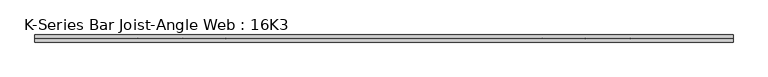
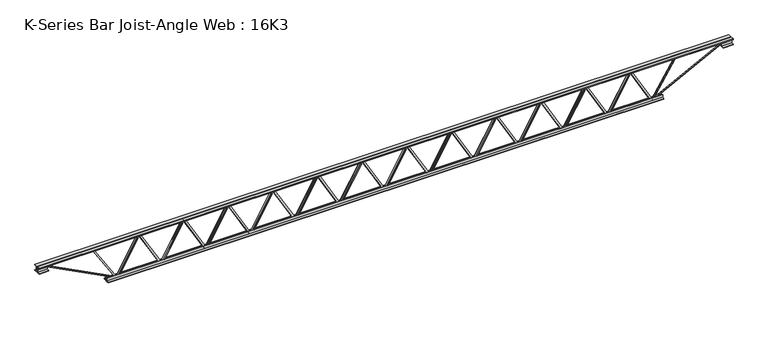
"""IFC4 building model written with IfcOpenShell, lengths in millimetres: beam geometry, K-Series Bar Joist-Angle Web : 16K3."""

from ifc_helpers import new_model, si_unit, frame, origin, place, context, project, spatial, polyline, outline, extrude, faceted_brep, source, transform, mapped, element, save


def k_series_bar_joist_angle_web_16k3_cd1c399f(model_context):
    return source(origin(), model_context, "Body", "SolidModel", [
        extrude(outline(polyline([(-4.7625, 4.7625), (-4.7625, 0.0), (-17.4625, 0.0), (-17.4625, 4.7625), (-4.7625, 4.7625)])), frame((2266.7702714, 0.0, -165.1), z_axis=(-0.49506641513290334, 0.0, 0.8688551344196891), x_axis=(0.0, -1.0, 0.0)), (0.0, 0.0, 1.0), 380.0403392),
        extrude(outline(polyline([(-200.025, 2298.5556818), (-180.975, 2298.5556818), (-180.975, 2297.7411183), (200.025, 2080.6504933), (200.025, 2062.4150568), (180.975, 2062.4150568), (180.975, 2069.5796204), (-200.025, 2286.6702454), (-200.025, 2298.5556818)])), frame((0.0, 0.0, 0.0), z_axis=(0.0, 1.0, 0.0), x_axis=(0.0, 0.0, 1.0)), (0.0, 0.0, 1.0), 4.7625),
        faceted_brep([(1838.9744318, 0.0, -180.975), (1838.9744318, 0.0, -200.025), (1838.9744318, -4.7625, -200.025), (1838.9744318, -4.7625, -180.975), (1839.7889954, 0.0, -180.975), (2056.8796204, 0.0, 200.025), (2075.1150568, 0.0, 200.025), (2075.1150568, 0.0, 180.975), (2067.9504933, 0.0, 180.975), (1850.8598683, 0.0, -200.025), (1850.8598683, -4.7625, -200.025), (1870.7598422, -4.7625, -165.1), (1866.6219197, -4.7625, -162.7422462), (2054.767128, -4.7625, 167.4577538), (2058.9050506, -4.7625, 165.1), (2067.9504933, -4.7625, 180.975), (2075.1150568, -4.7625, 180.975), (2075.1150568, -4.7625, 200.025), (2056.8796204, -4.7625, 200.025), (1839.7889954, -4.7625, -180.975), (2058.9050506, -17.4625, 165.1), (1870.7598422, -17.4625, -165.1), (1866.6219197, -17.4625, -162.7422462), (2054.767128, -17.4625, 167.4577538)], [[[0, 1, 2, 3]], [[1, 0, 4, 5, 6, 7, 8, 9]], [[2, 1, 9, 10]], [[3, 2, 10, 11, 12, 13, 14, 15, 16, 17, 18, 19]], [[0, 3, 19, 4]], [[9, 8, 15, 14, 20, 21, 11, 10]], [[5, 4, 19, 18]], [[7, 6, 17, 16]], [[8, 7, 16, 15]], [[6, 5, 18, 17]], [[21, 22, 12, 11]], [[20, 14, 13, 23]], [[22, 21, 20, 23]], [[12, 22, 23, 13]]]),
        extrude(outline(polyline([(-4.7625, 4.7625), (-4.7625, 0.0), (-17.4625, 0.0), (-17.4625, 4.7625), (-4.7625, 4.7625)])), frame((1807.0447032, 0.0, -165.1), z_axis=(-0.49506641513290334, 0.0, 0.8688551344196891), x_axis=(0.0, -1.0, 0.0)), (0.0, 0.0, 1.0), 380.0403392),
        extrude(outline(polyline([(-200.025, 1838.8301136), (-180.975, 1838.8301136), (-180.975, 1838.0155501), (200.025, 1620.9249251), (200.025, 1602.6894886), (180.975, 1602.6894886), (180.975, 1609.8540522), (-200.025, 1826.9446772), (-200.025, 1838.8301136)])), frame((0.0, 0.0, 0.0), z_axis=(0.0, 1.0, 0.0), x_axis=(0.0, 0.0, 1.0)), (0.0, 0.0, 1.0), 4.7625),
        faceted_brep([(1379.2488636, 0.0, -180.975), (1379.2488636, 0.0, -200.025), (1379.2488636, -4.7625, -200.025), (1379.2488636, -4.7625, -180.975), (1380.0634272, 0.0, -180.975), (1597.1540522, 0.0, 200.025), (1615.3894886, 0.0, 200.025), (1615.3894886, 0.0, 180.975), (1608.2249251, 0.0, 180.975), (1391.1343001, 0.0, -200.025), (1391.1343001, -4.7625, -200.025), (1411.0342741, -4.7625, -165.1), (1406.8963515, -4.7625, -162.7422462), (1595.0415598, -4.7625, 167.4577538), (1599.1794824, -4.7625, 165.1), (1608.2249251, -4.7625, 180.975), (1615.3894886, -4.7625, 180.975), (1615.3894886, -4.7625, 200.025), (1597.1540522, -4.7625, 200.025), (1380.0634272, -4.7625, -180.975), (1599.1794824, -17.4625, 165.1), (1411.0342741, -17.4625, -165.1), (1406.8963515, -17.4625, -162.7422462), (1595.0415598, -17.4625, 167.4577538)], [[[0, 1, 2, 3]], [[1, 0, 4, 5, 6, 7, 8, 9]], [[2, 1, 9, 10]], [[3, 2, 10, 11, 12, 13, 14, 15, 16, 17, 18, 19]], [[0, 3, 19, 4]], [[9, 8, 15, 14, 20, 21, 11, 10]], [[5, 4, 19, 18]], [[7, 6, 17, 16]], [[8, 7, 16, 15]], [[6, 5, 18, 17]], [[21, 22, 12, 11]], [[20, 14, 13, 23]], [[22, 21, 20, 23]], [[12, 22, 23, 13]]]),
        extrude(outline(polyline([(-4.7625, 4.7625), (-4.7625, 0.0), (-17.4625, 0.0), (-17.4625, 4.7625), (-4.7625, 4.7625)])), frame((1347.319135, 0.0, -165.1), z_axis=(-0.49506641513290334, 0.0, 0.8688551344196891), x_axis=(0.0, -1.0, 0.0)), (0.0, 0.0, 1.0), 380.0403392),
        extrude(outline(polyline([(-200.025, 1379.1045455), (-180.975, 1379.1045455), (-180.975, 1378.2899819), (200.025, 1161.1993569), (200.025, 1142.9639205), (180.975, 1142.9639205), (180.975, 1150.128484), (-200.025, 1367.219109), (-200.025, 1379.1045455)])), frame((0.0, 0.0, 0.0), z_axis=(0.0, 1.0, 0.0), x_axis=(0.0, 0.0, 1.0)), (0.0, 0.0, 1.0), 4.7625),
        faceted_brep([(919.5232955, 0.0, -180.975), (919.5232955, 0.0, -200.025), (919.5232955, -4.7625, -200.025), (919.5232955, -4.7625, -180.975), (920.337859, 0.0, -180.975), (1137.428484, 0.0, 200.025), (1155.6639205, 0.0, 200.025), (1155.6639205, 0.0, 180.975), (1148.4993569, 0.0, 180.975), (931.4087319, 0.0, -200.025), (931.4087319, -4.7625, -200.025), (951.3087059, -4.7625, -165.1), (947.1707833, -4.7625, -162.7422462), (1135.3159916, -4.7625, 167.4577538), (1139.4539142, -4.7625, 165.1), (1148.4993569, -4.7625, 180.975), (1155.6639205, -4.7625, 180.975), (1155.6639205, -4.7625, 200.025), (1137.428484, -4.7625, 200.025), (920.337859, -4.7625, -180.975), (1139.4539142, -17.4625, 165.1), (951.3087059, -17.4625, -165.1), (947.1707833, -17.4625, -162.7422462), (1135.3159916, -17.4625, 167.4577538)], [[[0, 1, 2, 3]], [[1, 0, 4, 5, 6, 7, 8, 9]], [[2, 1, 9, 10]], [[3, 2, 10, 11, 12, 13, 14, 15, 16, 17, 18, 19]], [[0, 3, 19, 4]], [[9, 8, 15, 14, 20, 21, 11, 10]], [[5, 4, 19, 18]], [[7, 6, 17, 16]], [[8, 7, 16, 15]], [[6, 5, 18, 17]], [[21, 22, 12, 11]], [[20, 14, 13, 23]], [[22, 21, 20, 23]], [[12, 22, 23, 13]]]),
        extrude(outline(polyline([(-4.7625, 4.7625), (-4.7625, 0.0), (-17.4625, 0.0), (-17.4625, 4.7625), (-4.7625, 4.7625)])), frame((887.5935668, 0.0, -165.1), z_axis=(-0.49506641513290334, 0.0, 0.8688551344196891), x_axis=(0.0, -1.0, 0.0)), (0.0, 0.0, 1.0), 380.0403392),
        extrude(outline(polyline([(-200.025, 919.3789773), (-180.975, 919.3789773), (-180.975, 918.5644137), (200.025, 701.4737887), (200.025, 683.2383523), (180.975, 683.2383523), (180.975, 690.4029158), (-200.025, 907.4935408), (-200.025, 919.3789773)])), frame((0.0, 0.0, 0.0), z_axis=(0.0, 1.0, 0.0), x_axis=(0.0, 0.0, 1.0)), (0.0, 0.0, 1.0), 4.7625),
        faceted_brep([(459.7977273, 0.0, -180.975), (459.7977273, 0.0, -200.025), (459.7977273, -4.7625, -200.025), (459.7977273, -4.7625, -180.975), (460.6122908, 0.0, -180.975), (677.7029158, 0.0, 200.025), (695.9383523, 0.0, 200.025), (695.9383523, 0.0, 180.975), (688.7737887, 0.0, 180.975), (471.6831637, 0.0, -200.025), (471.6831637, -4.7625, -200.025), (491.5831377, -4.7625, -165.1), (487.4452151, -4.7625, -162.7422462), (675.5904235, -4.7625, 167.4577538), (679.728346, -4.7625, 165.1), (688.7737887, -4.7625, 180.975), (695.9383523, -4.7625, 180.975), (695.9383523, -4.7625, 200.025), (677.7029158, -4.7625, 200.025), (460.6122908, -4.7625, -180.975), (679.728346, -17.4625, 165.1), (491.5831377, -17.4625, -165.1), (487.4452151, -17.4625, -162.7422462), (675.5904235, -17.4625, 167.4577538)], [[[0, 1, 2, 3]], [[1, 0, 4, 5, 6, 7, 8, 9]], [[2, 1, 9, 10]], [[3, 2, 10, 11, 12, 13, 14, 15, 16, 17, 18, 19]], [[0, 3, 19, 4]], [[9, 8, 15, 14, 20, 21, 11, 10]], [[5, 4, 19, 18]], [[7, 6, 17, 16]], [[8, 7, 16, 15]], [[6, 5, 18, 17]], [[21, 22, 12, 11]], [[20, 14, 13, 23]], [[22, 21, 20, 23]], [[12, 22, 23, 13]]]),
        extrude(outline(polyline([(-4.7625, 4.7624999), (-4.7625, 0.0), (-17.4625, 0.0), (-17.4625, 4.7624999), (-4.7625, 4.7624999)])), frame((427.8679987, 0.0, -165.1), z_axis=(-0.49506641513290334, 0.0, 0.8688551344196891), x_axis=(0.0, -1.0, 0.0)), (0.0, 0.0, 1.0), 380.0403392),
        extrude(outline(polyline([(-200.025, 459.6534091), (-180.975, 459.6534091), (-180.975, 458.8388456), (200.025, 241.7482206), (200.025, 223.5127841), (180.975, 223.5127841), (180.975, 230.6773476), (-200.025, 447.7679726), (-200.025, 459.6534091)])), frame((0.0, 0.0, 0.0), z_axis=(0.0, 1.0, 0.0), x_axis=(0.0, 0.0, 1.0)), (0.0, 0.0, 1.0), 4.7625),
        faceted_brep([(0.0721591, 0.0, -180.975), (0.0721591, 0.0, -200.025), (0.0721591, -4.7625, -200.025), (0.0721591, -4.7625, -180.975), (0.8867226, 0.0, -180.975), (217.9773476, 0.0, 200.025), (236.2127841, 0.0, 200.025), (236.2127841, 0.0, 180.975), (229.0482206, 0.0, 180.975), (11.9575956, 0.0, -200.025), (11.9575956, -4.7625, -200.025), (31.8575695, -4.7625, -165.1), (27.7196469, -4.7625, -162.7422462), (215.8648553, -4.7625, 167.4577538), (220.0027778, -4.7625, 165.1), (229.0482206, -4.7625, 180.975), (236.2127841, -4.7625, 180.975), (236.2127841, -4.7625, 200.025), (217.9773476, -4.7625, 200.025), (0.8867226, -4.7625, -180.975), (220.0027778, -17.4625, 165.1), (31.8575695, -17.4625, -165.1), (27.7196469, -17.4625, -162.7422462), (215.8648553, -17.4625, 167.4577538)], [[[0, 1, 2, 3]], [[1, 0, 4, 5, 6, 7, 8, 9]], [[2, 1, 9, 10]], [[3, 2, 10, 11, 12, 13, 14, 15, 16, 17, 18, 19]], [[0, 3, 19, 4]], [[9, 8, 15, 14, 20, 21, 11, 10]], [[5, 4, 19, 18]], [[7, 6, 17, 16]], [[8, 7, 16, 15]], [[6, 5, 18, 17]], [[21, 22, 12, 11]], [[20, 14, 13, 23]], [[22, 21, 20, 23]], [[12, 22, 23, 13]]]),
        extrude(outline(polyline([(-4.7625, 4.7625), (-4.7625, 0.0), (-17.4625, 0.0), (-17.4625, 4.7625), (-4.7625, 4.7625)])), frame((-31.8575695, 0.0, -165.1), z_axis=(-0.49506641513290334, 0.0, 0.8688551344196891), x_axis=(0.0, -1.0, 0.0)), (0.0, 0.0, 1.0), 380.0403392),
        extrude(outline(polyline([(-200.025, -0.0721591), (-180.975, -0.0721591), (-180.975, -0.8867226), (200.025, -217.9773476), (200.025, -236.2127841), (180.975, -236.2127841), (180.975, -229.0482206), (-200.025, -11.9575956), (-200.025, -0.0721591)])), frame((0.0, 0.0, 0.0), z_axis=(0.0, 1.0, 0.0), x_axis=(0.0, 0.0, 1.0)), (0.0, 0.0, 1.0), 4.7625),
        faceted_brep([(-459.6534091, 0.0, -180.975), (-459.6534091, 0.0, -200.025), (-459.6534091, -4.7625, -200.025), (-459.6534091, -4.7625, -180.975), (-458.8388456, 0.0, -180.975), (-241.7482206, 0.0, 200.025), (-223.5127841, 0.0, 200.025), (-223.5127841, 0.0, 180.975), (-230.6773476, 0.0, 180.975), (-447.7679726, 0.0, -200.025), (-447.7679726, -4.7625, -200.025), (-427.8679987, -4.7625, -165.1), (-432.0059212, -4.7625, -162.7422462), (-243.8607129, -4.7625, 167.4577538), (-239.7227903, -4.7625, 165.1), (-230.6773476, -4.7625, 180.975), (-223.5127841, -4.7625, 180.975), (-223.5127841, -4.7625, 200.025), (-241.7482206, -4.7625, 200.025), (-458.8388456, -4.7625, -180.975), (-239.7227903, -17.4625, 165.1), (-427.8679987, -17.4625, -165.1), (-432.0059212, -17.4625, -162.7422462), (-243.8607129, -17.4625, 167.4577538)], [[[0, 1, 2, 3]], [[1, 0, 4, 5, 6, 7, 8, 9]], [[2, 1, 9, 10]], [[3, 2, 10, 11, 12, 13, 14, 15, 16, 17, 18, 19]], [[0, 3, 19, 4]], [[9, 8, 15, 14, 20, 21, 11, 10]], [[5, 4, 19, 18]], [[7, 6, 17, 16]], [[8, 7, 16, 15]], [[6, 5, 18, 17]], [[21, 22, 12, 11]], [[20, 14, 13, 23]], [[22, 21, 20, 23]], [[12, 22, 23, 13]]]),
        extrude(outline(polyline([(-4.7625, 4.7625), (-4.7625, 0.0), (-17.4625, 0.0), (-17.4625, 4.7625), (-4.7625, 4.7625)])), frame((-491.5831377, 0.0, -165.1), z_axis=(-0.49506641513290334, 0.0, 0.8688551344196891), x_axis=(0.0, -1.0, 0.0)), (0.0, 0.0, 1.0), 380.0403392),
        extrude(outline(polyline([(-200.025, -459.7977273), (-180.975, -459.7977273), (-180.975, -460.6122908), (200.025, -677.7029158), (200.025, -695.9383523), (180.975, -695.9383523), (180.975, -688.7737887), (-200.025, -471.6831637), (-200.025, -459.7977273)])), frame((0.0, 0.0, 0.0), z_axis=(0.0, 1.0, 0.0), x_axis=(0.0, 0.0, 1.0)), (0.0, 0.0, 1.0), 4.7625),
        faceted_brep([(-919.3789773, 0.0, -180.975), (-919.3789773, 0.0, -200.025), (-919.3789773, -4.7625, -200.025), (-919.3789773, -4.7625, -180.975), (-918.5644137, 0.0, -180.975), (-701.4737887, 0.0, 200.025), (-683.2383523, 0.0, 200.025), (-683.2383523, 0.0, 180.975), (-690.4029158, 0.0, 180.975), (-907.4935408, 0.0, -200.025), (-907.4935408, -4.7625, -200.025), (-887.5935668, -4.7625, -165.1), (-891.7314894, -4.7625, -162.7422462), (-703.5862811, -4.7625, 167.4577538), (-699.4483585, -4.7625, 165.1), (-690.4029158, -4.7625, 180.975), (-683.2383523, -4.7625, 180.975), (-683.2383523, -4.7625, 200.025), (-701.4737887, -4.7625, 200.025), (-918.5644137, -4.7625, -180.975), (-699.4483585, -17.4625, 165.1), (-887.5935668, -17.4625, -165.1), (-891.7314894, -17.4625, -162.7422462), (-703.5862811, -17.4625, 167.4577538)], [[[0, 1, 2, 3]], [[1, 0, 4, 5, 6, 7, 8, 9]], [[2, 1, 9, 10]], [[3, 2, 10, 11, 12, 13, 14, 15, 16, 17, 18, 19]], [[0, 3, 19, 4]], [[9, 8, 15, 14, 20, 21, 11, 10]], [[5, 4, 19, 18]], [[7, 6, 17, 16]], [[8, 7, 16, 15]], [[6, 5, 18, 17]], [[21, 22, 12, 11]], [[20, 14, 13, 23]], [[22, 21, 20, 23]], [[12, 22, 23, 13]]]),
        extrude(outline(polyline([(-4.7625, 4.7625), (-4.7625, 0.0), (-17.4625, 0.0), (-17.4625, 4.7625), (-4.7625, 4.7625)])), frame((-951.3087059, 0.0, -165.1), z_axis=(-0.49506641513290334, 0.0, 0.8688551344196891), x_axis=(0.0, -1.0, 0.0)), (0.0, 0.0, 1.0), 380.0403392),
        extrude(outline(polyline([(-200.025, -919.5232955), (-180.975, -919.5232955), (-180.975, -920.337859), (200.025, -1137.428484), (200.025, -1155.6639205), (180.975, -1155.6639205), (180.975, -1148.4993569), (-200.025, -931.4087319), (-200.025, -919.5232955)])), frame((0.0, 0.0, 0.0), z_axis=(0.0, 1.0, 0.0), x_axis=(0.0, 0.0, 1.0)), (0.0, 0.0, 1.0), 4.7625),
        faceted_brep([(-1379.1045455, 0.0, -180.975), (-1379.1045455, 0.0, -200.025), (-1379.1045455, -4.7625, -200.025), (-1379.1045455, -4.7625, -180.975), (-1378.2899819, 0.0, -180.975), (-1161.1993569, 0.0, 200.025), (-1142.9639205, 0.0, 200.025), (-1142.9639205, 0.0, 180.975), (-1150.128484, 0.0, 180.975), (-1367.219109, 0.0, -200.025), (-1367.219109, -4.7625, -200.025), (-1347.319135, -4.7625, -165.1), (-1351.4570576, -4.7625, -162.7422462), (-1163.3118493, -4.7625, 167.4577538), (-1159.1739267, -4.7625, 165.1), (-1150.128484, -4.7625, 180.975), (-1142.9639205, -4.7625, 180.975), (-1142.9639205, -4.7625, 200.025), (-1161.1993569, -4.7625, 200.025), (-1378.2899819, -4.7625, -180.975), (-1159.1739267, -17.4625, 165.1), (-1347.319135, -17.4625, -165.1), (-1351.4570576, -17.4625, -162.7422462), (-1163.3118493, -17.4625, 167.4577538)], [[[0, 1, 2, 3]], [[1, 0, 4, 5, 6, 7, 8, 9]], [[2, 1, 9, 10]], [[3, 2, 10, 11, 12, 13, 14, 15, 16, 17, 18, 19]], [[0, 3, 19, 4]], [[9, 8, 15, 14, 20, 21, 11, 10]], [[5, 4, 19, 18]], [[7, 6, 17, 16]], [[8, 7, 16, 15]], [[6, 5, 18, 17]], [[21, 22, 12, 11]], [[20, 14, 13, 23]], [[22, 21, 20, 23]], [[12, 22, 23, 13]]]),
        extrude(outline(polyline([(-4.7625, 4.7625), (-4.7625, 0.0), (-17.4625, 0.0), (-17.4625, 4.7625), (-4.7625, 4.7625)])), frame((-1411.0342741, 0.0, -165.1), z_axis=(-0.49506641513290334, 0.0, 0.8688551344196891), x_axis=(0.0, -1.0, 0.0)), (0.0, 0.0, 1.0), 380.0403392),
        extrude(outline(polyline([(-200.025, -1379.2488636), (-180.975, -1379.2488636), (-180.975, -1380.0634272), (200.025, -1597.1540522), (200.025, -1615.3894886), (180.975, -1615.3894886), (180.975, -1608.2249251), (-200.025, -1391.1343001), (-200.025, -1379.2488636)])), frame((0.0, 0.0, 0.0), z_axis=(0.0, 1.0, 0.0), x_axis=(0.0, 0.0, 1.0)), (0.0, 0.0, 1.0), 4.7625),
        faceted_brep([(-1838.8301136, 0.0, -180.975), (-1838.8301136, 0.0, -200.025), (-1838.8301136, -4.7625, -200.025), (-1838.8301136, -4.7625, -180.975), (-1838.0155501, 0.0, -180.975), (-1620.9249251, 0.0, 200.025), (-1602.6894886, 0.0, 200.025), (-1602.6894886, 0.0, 180.975), (-1609.8540522, 0.0, 180.975), (-1826.9446772, 0.0, -200.025), (-1826.9446772, -4.7625, -200.025), (-1807.0447032, -4.7625, -165.1), (-1811.1826258, -4.7625, -162.7422462), (-1623.0374175, -4.7625, 167.4577538), (-1618.8994949, -4.7625, 165.1), (-1609.8540522, -4.7625, 180.975), (-1602.6894886, -4.7625, 180.975), (-1602.6894886, -4.7625, 200.025), (-1620.9249251, -4.7625, 200.025), (-1838.0155501, -4.7625, -180.975), (-1618.8994949, -17.4625, 165.1), (-1807.0447032, -17.4625, -165.1), (-1811.1826258, -17.4625, -162.7422462), (-1623.0374175, -17.4625, 167.4577538)], [[[0, 1, 2, 3]], [[1, 0, 4, 5, 6, 7, 8, 9]], [[2, 1, 9, 10]], [[3, 2, 10, 11, 12, 13, 14, 15, 16, 17, 18, 19]], [[0, 3, 19, 4]], [[9, 8, 15, 14, 20, 21, 11, 10]], [[5, 4, 19, 18]], [[7, 6, 17, 16]], [[8, 7, 16, 15]], [[6, 5, 18, 17]], [[21, 22, 12, 11]], [[20, 14, 13, 23]], [[22, 21, 20, 23]], [[12, 22, 23, 13]]]),
        extrude(outline(polyline([(-4.7625, 4.7624999), (-4.7625, 0.0), (-17.4625, 0.0), (-17.4625, 4.7624999), (-4.7625, 4.7624999)])), frame((-1870.7598422, 0.0, -165.1), z_axis=(-0.49506641513290334, 0.0, 0.8688551344196891), x_axis=(0.0, -1.0, 0.0)), (0.0, 0.0, 1.0), 380.0403392),
        extrude(outline(polyline([(-200.025, -1838.9744318), (-180.975, -1838.9744318), (-180.975, -1839.7889954), (200.025, -2056.8796204), (200.025, -2075.1150568), (180.975, -2075.1150568), (180.975, -2067.9504933), (-200.025, -1850.8598683), (-200.025, -1838.9744318)])), frame((0.0, 0.0, 0.0), z_axis=(0.0, 1.0, 0.0), x_axis=(0.0, 0.0, 1.0)), (0.0, 0.0, 1.0), 4.7625),
        faceted_brep([(-2298.5556818, 0.0, -180.975), (-2298.5556818, 0.0, -200.025), (-2298.5556818, -4.7625, -200.025), (-2298.5556818, -4.7625, -180.975), (-2297.7411183, 0.0, -180.975), (-2080.6504933, 0.0, 200.025), (-2062.4150568, 0.0, 200.025), (-2062.4150568, 0.0, 180.975), (-2069.5796204, 0.0, 180.975), (-2286.6702454, 0.0, -200.025), (-2286.6702454, -4.7625, -200.025), (-2266.7702714, -4.7625, -165.1), (-2270.908194, -4.7625, -162.7422462), (-2082.7629856, -4.7625, 167.4577538), (-2078.6250631, -4.7625, 165.1), (-2069.5796204, -4.7625, 180.975), (-2062.4150568, -4.7625, 180.975), (-2062.4150568, -4.7625, 200.025), (-2080.6504933, -4.7625, 200.025), (-2297.7411183, -4.7625, -180.975), (-2078.6250631, -17.4625, 165.1), (-2266.7702714, -17.4625, -165.1), (-2270.908194, -17.4625, -162.7422462), (-2082.7629856, -17.4625, 167.4577538)], [[[0, 1, 2, 3]], [[1, 0, 4, 5, 6, 7, 8, 9]], [[2, 1, 9, 10]], [[3, 2, 10, 11, 12, 13, 14, 15, 16, 17, 18, 19]], [[0, 3, 19, 4]], [[9, 8, 15, 14, 20, 21, 11, 10]], [[5, 4, 19, 18]], [[7, 6, 17, 16]], [[8, 7, 16, 15]], [[6, 5, 18, 17]], [[21, 22, 12, 11]], [[20, 14, 13, 23]], [[22, 21, 20, 23]], [[12, 22, 23, 13]]]),
        extrude(outline(polyline([(-4.7625, 4.7625), (-4.7625, 0.0), (-17.4625, 0.0), (-17.4625, 4.7625), (-4.7625, 4.7625)])), frame((2726.4958396, 0.0, -165.1), z_axis=(-0.49506641513290334, 0.0, 0.8688551344196891), x_axis=(0.0, -1.0, 0.0)), (0.0, 0.0, 1.0), 380.0403392),
        extrude(outline(polyline([(-200.025, 2758.28125), (-180.975, 2758.28125), (-180.975, 2757.4666865), (200.025, 2540.3760615), (200.025, 2522.140625), (180.975, 2522.140625), (180.975, 2529.3051885), (-200.025, 2746.3958135), (-200.025, 2758.28125)])), frame((0.0, 0.0, 0.0), z_axis=(0.0, 1.0, 0.0), x_axis=(0.0, 0.0, 1.0)), (0.0, 0.0, 1.0), 4.7625),
        faceted_brep([(2298.7, 0.0, -180.975), (2298.7, 0.0, -200.025), (2298.7, -4.7625, -200.025), (2298.7, -4.7625, -180.975), (2299.5145635, 0.0, -180.975), (2516.6051885, 0.0, 200.025), (2534.840625, 0.0, 200.025), (2534.840625, 0.0, 180.975), (2527.6760615, 0.0, 180.975), (2310.5854365, 0.0, -200.025), (2310.5854365, -4.7625, -200.025), (2330.4854104, -4.7625, -165.1), (2326.3474878, -4.7625, -162.7422462), (2514.4926962, -4.7625, 167.4577538), (2518.6306188, -4.7625, 165.1), (2527.6760615, -4.7625, 180.975), (2534.840625, -4.7625, 180.975), (2534.840625, -4.7625, 200.025), (2516.6051885, -4.7625, 200.025), (2299.5145635, -4.7625, -180.975), (2518.6306188, -17.4625, 165.1), (2330.4854104, -17.4625, -165.1), (2326.3474878, -17.4625, -162.7422462), (2514.4926962, -17.4625, 167.4577538)], [[[0, 1, 2, 3]], [[1, 0, 4, 5, 6, 7, 8, 9]], [[2, 1, 9, 10]], [[3, 2, 10, 11, 12, 13, 14, 15, 16, 17, 18, 19]], [[0, 3, 19, 4]], [[9, 8, 15, 14, 20, 21, 11, 10]], [[5, 4, 19, 18]], [[7, 6, 17, 16]], [[8, 7, 16, 15]], [[6, 5, 18, 17]], [[21, 22, 12, 11]], [[20, 14, 13, 23]], [[22, 21, 20, 23]], [[12, 22, 23, 13]]]),
        extrude(outline(polyline([(-4.7625, 4.7625), (-4.7625, 0.0), (-17.4625, 0.0), (-17.4625, 4.7625), (-4.7625, 4.7625)])), frame((-2330.4854104, 0.0, -165.1), z_axis=(-0.49506641513290334, 0.0, 0.8688551344196891), x_axis=(0.0, -1.0, 0.0)), (0.0, 0.0, 1.0), 380.0403392),
        extrude(outline(polyline([(-200.025, -2298.7), (-180.975, -2298.7), (-180.975, -2299.5145635), (200.025, -2516.6051885), (200.025, -2534.840625), (180.975, -2534.840625), (180.975, -2527.6760615), (-200.025, -2310.5854365), (-200.025, -2298.7)])), frame((0.0, 0.0, 0.0), z_axis=(0.0, 1.0, 0.0), x_axis=(0.0, 0.0, 1.0)), (0.0, 0.0, 1.0), 4.7625),
        faceted_brep([(-2758.28125, 0.0, -180.975), (-2758.28125, 0.0, -200.025), (-2758.28125, -4.7625, -200.025), (-2758.28125, -4.7625, -180.975), (-2757.4666865, 0.0, -180.975), (-2540.3760615, 0.0, 200.025), (-2522.140625, 0.0, 200.025), (-2522.140625, 0.0, 180.975), (-2529.3051885, 0.0, 180.975), (-2746.3958135, 0.0, -200.025), (-2746.3958135, -4.7625, -200.025), (-2726.4958396, -4.7625, -165.1), (-2730.6337622, -4.7625, -162.7422462), (-2542.4885538, -4.7625, 167.4577538), (-2538.3506312, -4.7625, 165.1), (-2529.3051885, -4.7625, 180.975), (-2522.140625, -4.7625, 180.975), (-2522.140625, -4.7625, 200.025), (-2540.3760615, -4.7625, 200.025), (-2757.4666865, -4.7625, -180.975), (-2538.3506312, -17.4625, 165.1), (-2726.4958396, -17.4625, -165.1), (-2730.6337622, -17.4625, -162.7422462), (-2542.4885538, -17.4625, 167.4577538)], [[[0, 1, 2, 3]], [[1, 0, 4, 5, 6, 7, 8, 9]], [[2, 1, 9, 10]], [[3, 2, 10, 11, 12, 13, 14, 15, 16, 17, 18, 19]], [[0, 3, 19, 4]], [[9, 8, 15, 14, 20, 21, 11, 10]], [[5, 4, 19, 18]], [[7, 6, 17, 16]], [[8, 7, 16, 15]], [[6, 5, 18, 17]], [[21, 22, 12, 11]], [[20, 14, 13, 23]], [[22, 21, 20, 23]], [[12, 22, 23, 13]]]),
        extrude(outline(polyline([(4.7625, 203.2), (36.5125, 203.2), (36.5125, 196.85), (11.1125, 196.85), (11.1125, 171.45), (4.7625, 171.45), (4.7625, 203.2)])), frame((-3571.08125, 0.0, 0.0), z_axis=(1.0, 0.0, 0.0), x_axis=(0.0, 1.0, 0.0)), (0.0, 0.0, 1.0), 7142.1625),
        extrude(outline(polyline([(-4.7625, 203.2), (-4.7625, 171.45), (-11.1125, 171.45), (-11.1125, 196.85), (-36.5125, 196.85), (-36.5125, 203.2), (-4.7625, 203.2)])), frame((-3571.08125, 0.0, 0.0), z_axis=(1.0, 0.0, 0.0), x_axis=(0.0, 1.0, 0.0)), (0.0, 0.0, 1.0), 7142.1625),
        extrude(outline(polyline([(-4.7625, 139.7), (-36.5125, 139.7), (-36.5125, 146.05), (-11.1125, 146.05), (-11.1125, 171.45), (-4.7625, 171.45), (-4.7625, 139.7)])), frame((-3571.08125, 0.0, 0.0), z_axis=(1.0, 0.0, 0.0), x_axis=(0.0, 1.0, 0.0)), (0.0, 0.0, 1.0), 101.6),
        extrude(outline(polyline([(36.5125, 139.7), (4.7625, 139.7), (4.7625, 171.45), (11.1125, 171.45), (11.1125, 146.05), (36.5125, 146.05), (36.5125, 139.7)])), frame((-3571.08125, 0.0, 0.0), z_axis=(1.0, 0.0, 0.0), x_axis=(0.0, 1.0, 0.0)), (0.0, 0.0, 1.0), 101.6),
        extrude(outline(polyline([(4.7625, 139.7), (4.7625, 171.45), (11.1125, 171.45), (11.1125, 146.05), (36.5125, 146.05), (36.5125, 139.7), (4.7625, 139.7)])), frame((3469.48125, 0.0, 0.0), z_axis=(1.0, 0.0, 0.0), x_axis=(0.0, 1.0, 0.0)), (0.0, 0.0, 1.0), 101.6),
        extrude(outline(polyline([(-4.7625, 139.7), (-36.5125, 139.7), (-36.5125, 146.05), (-11.1125, 146.05), (-11.1125, 171.45), (-4.7625, 171.45), (-4.7625, 139.7)])), frame((3469.48125, 0.0, 0.0), z_axis=(1.0, 0.0, 0.0), x_axis=(0.0, 1.0, 0.0)), (0.0, 0.0, 1.0), 101.6),
        extrude(outline(polyline([(4.7625, -203.2), (4.7625, -171.45), (11.1125, -171.45), (11.1125, -196.85), (36.5125, -196.85), (36.5125, -203.2), (4.7625, -203.2)])), frame((-2859.88125, 0.0, 0.0), z_axis=(1.0, 0.0, 0.0), x_axis=(0.0, 1.0, 0.0)), (0.0, 0.0, 1.0), 5719.7625),
        extrude(outline(polyline([(-4.7625, -203.2), (-36.5125, -203.2), (-36.5125, -196.85), (-11.1125, -196.85), (-11.1125, -171.45), (-4.7625, -171.45), (-4.7625, -203.2)])), frame((-2859.88125, 0.0, 0.0), z_axis=(1.0, 0.0, 0.0), x_axis=(0.0, 1.0, 0.0)), (0.0, 0.0, 1.0), 5719.7625),
        extrude(outline(polyline([(4.7625, 4.7625), (4.7625, -4.7625), (-4.7625, -4.7625), (-4.7625, 4.7625), (4.7625, 4.7625)])), frame((2758.28125, 0.0, -196.85), z_axis=(0.5293413541950115, 0.0, 0.8484089407467318), x_axis=(0.0, -1.0, 0.0)), (0.0, 0.0, 1.0), 434.1066935),
        extrude(outline(polyline([(4.7625, 4.7625), (4.7625, -4.7625), (-4.7625, -4.7625), (-4.7625, 4.7625), (4.7625, 4.7625)])), frame((-2758.28125, 0.0, -196.85), z_axis=(-0.5293413541949827, 0.0, 0.8484089407467498), x_axis=(0.0, -1.0, 0.0)), (0.0, 0.0, 1.0), 434.1066935),
        extrude(outline(polyline([(0.0, -9.525), (0.0, 0.0), (800.9059433, 0.0), (800.9059433, -9.525), (0.0, -9.525)])), frame((3471.6713059, -4.7625, 167.2209266), z_axis=(-0.4598542476610156, 0.0, 0.8879944092775142), x_axis=(-0.8879944092775142, 0.0, -0.4598542476610156)), (0.0, 0.0, 1.0), 9.525),
        extrude(outline(polyline([(0.0, -9.525), (0.0, 0.0), (800.9059433, 0.0), (800.9059433, -9.525), (0.0, -9.525)])), frame((-3471.6713059, 4.7625, 167.2209266), z_axis=(0.4598542476610135, 0.0, 0.8879944092775153), x_axis=(0.8879944092775153, 0.0, -0.4598542476610135)), (0.0, 0.0, 1.0), 9.525),
    ])


if __name__ == "__main__":
    model = new_model("IFC4")
    model_context = context("Model", 3, world=origin())
    ifc_project = project(units=[si_unit("LENGTHUNIT", "METRE", prefix="MILLI")], contexts=[model_context])
    site = spatial("IfcSite", under=ifc_project)
    building = spatial("IfcBuilding", under=site)
    placement = place(None, origin())
    k_series_bar_joist_angle_web_16k3_shape = k_series_bar_joist_angle_web_16k3_cd1c399f(model_context)
    element("IfcBeam", 1, ObjectType="K-Series Bar Joist-Angle Web : 16K3", at=placement, inside=building, context=model_context, shape_type="MappedRepresentation", body=[
        mapped(k_series_bar_joist_angle_web_16k3_shape, transform((0.0, 0.0, 0.0), x_axis=(1.0, 0.0, 0.0), y_axis=(0.0, 1.0, 0.0), z_axis=(0.0, 0.0, 1.0))),
    ])
    save(model, "model.ifc")
